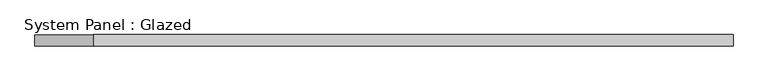
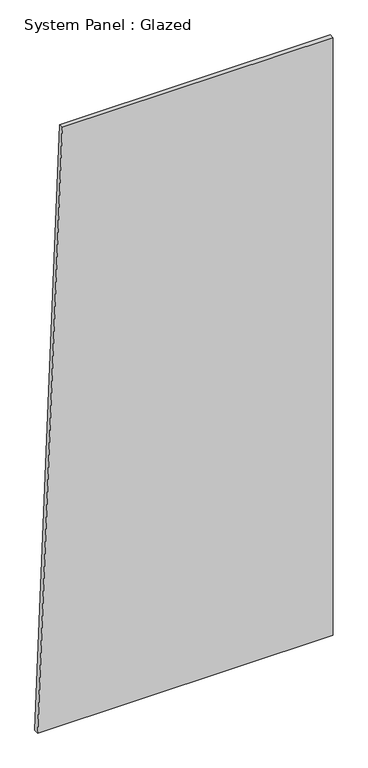
"""IFC4 building model written with IfcOpenShell, lengths in millimetres: plate geometry, System Panel : Glazed."""

from ifc_helpers import new_model, si_unit, frame, origin, place, context, project, spatial, polyline, outline, extrude, source, transform, mapped, element, save


def system_panel_glazed_ef6999ad(model_context):
    return source(origin(), model_context, "Body", "SweptSolid", [
        extrude(outline(polyline([(0.0, -779.8836428), (0.0, 779.8836428), (3332.1999183, 779.8836428), (3332.1999183, -649.6921103), (0.0, -779.8836428)])), frame((0.0, -49.5, 0.0), z_axis=(0.0, 1.0, 0.0), x_axis=(0.0, 0.0, 1.0)), (0.0, 0.0, 1.0), 25.0),
    ])


if __name__ == "__main__":
    model = new_model("IFC4")
    model_context = context("Model", 3, world=origin())
    ifc_project = project(units=[si_unit("LENGTHUNIT", "METRE", prefix="MILLI")], contexts=[model_context])
    site = spatial("IfcSite", under=ifc_project)
    building = spatial("IfcBuilding", under=site)
    placement = place(None, origin())
    system_panel_glazed_shape = system_panel_glazed_ef6999ad(model_context)
    element("IfcPlate", 1, ObjectType="System Panel : Glazed", at=placement, inside=building, context=model_context, shape_type="MappedRepresentation", body=[
        mapped(system_panel_glazed_shape, transform((0.0, 0.0, 0.0), x_axis=(1.0, 0.0, 0.0), y_axis=(0.0, 1.0, 0.0), z_axis=(0.0, 0.0, 1.0))),
    ])
    save(model, "model.ifc")
